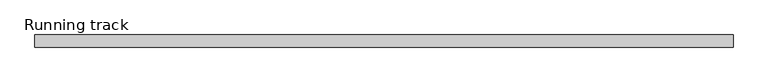
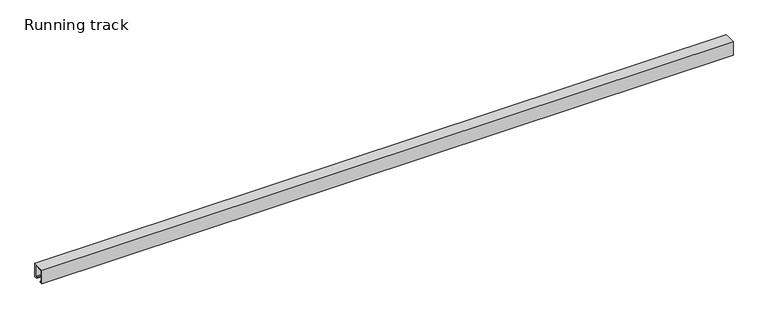
"""IFC4 building model written with IfcOpenShell, lengths in millimetres: proxy geometry, Running track."""

import ifcopenshell
import ifcopenshell.guid

model = None  # the IFC model being written
_history = None  # IfcOwnerHistory: only IFC2X3 demands one
_inside = {}  # id of a spatial element -> (the spatial element, [elements in it])
_under = {}  # id of a project, library or spatial element -> (it, [spatial elements below it])
_declared = {}  # id of a project -> (the project, [libraries it declares])
_typed = {}  # id of a type object -> (the type object, [elements of that type])
_made_of = {}  # id of a material, layer set ... -> (it, [elements and type objects made of it])


def new_model(schema):
    """Start an empty IFC model of exactly this schema.

    Asked for "IFC4X3", IfcOpenShell would pick the latest addendum, in which some entities
    have other attributes; the version numbers below select the first issue.
    IFC2X3 requires an IfcOwnerHistory on every rooted entity: one is made here for all.
    """
    global model, _history
    if schema == "IFC4X3":
        model = ifcopenshell.file(schema_version=(4, 3, 0, 0))
    else:
        model = ifcopenshell.file(schema=schema)
    _inside.clear()
    _under.clear()
    _declared.clear()
    _typed.clear()
    _made_of.clear()
    _history = None
    if model.schema == "IFC2X3":
        org = make("IfcOrganization", Name="unknown")
        user = make(
            "IfcPersonAndOrganization",
            ThePerson=make("IfcPerson", FamilyName="unknown"),
            TheOrganization=org,
        )
        app = make(
            "IfcApplication",
            ApplicationDeveloper=org,
            Version="unknown",
            ApplicationFullName="unknown",
            ApplicationIdentifier="unknown",
        )
        _history = make(
            "IfcOwnerHistory",
            OwningUser=user,
            OwningApplication=app,
            ChangeAction="ADDED",
            CreationDate=0,
        )
    return model


def make(cls, **values):
    """One entity of the class cls with the attributes given. An attribute that is None is left unset."""
    return model.create_entity(
        cls, **{name: value for name, value in values.items() if value is not None}
    )


def rooted(cls, **values):
    """An entity with a GlobalId (a new one), such as an element, a storey or a relation."""
    return make(cls, GlobalId=ifcopenshell.guid.new(), OwnerHistory=_history, **values)


def si_unit(unit_type, name, prefix=None):
    """IfcSIUnit, for example si_unit("LENGTHUNIT", "METRE", prefix="MILLI")."""
    return make("IfcSIUnit", UnitType=unit_type, Prefix=prefix, Name=name)


def assignment(units):
    """IfcUnitAssignment: the units of a project."""
    return None if units is None else make("IfcUnitAssignment", Units=units)


def point(xyz):
    """IfcCartesianPoint."""
    return None if xyz is None else make("IfcCartesianPoint", Coordinates=xyz)


def direction(xyz):
    """IfcDirection."""
    return None if xyz is None else make("IfcDirection", DirectionRatios=xyz)


def frame(location, z_axis=None, x_axis=None):
    """IfcAxis2Placement3D, a coordinate frame: its origin and axes. An axis left out is left unset."""
    return make(
        "IfcAxis2Placement3D",
        Location=point(location),
        Axis=direction(z_axis),
        RefDirection=direction(x_axis),
    )


def frame_2d(location, x_axis=None):
    """IfcAxis2Placement2D, a coordinate frame in the plane: its origin and x axis."""
    return make(
        "IfcAxis2Placement2D", Location=point(location), RefDirection=direction(x_axis)
    )


def origin():
    """The frame at (0, 0, 0) with its axes left unset."""
    return frame((0.0, 0.0, 0.0))


def origin_with_axes():
    """The frame at (0, 0, 0) with the z axis (0, 0, 1) and the x axis (1, 0, 0) written out."""
    return frame((0.0, 0.0, 0.0), z_axis=(0.0, 0.0, 1.0), x_axis=(1.0, 0.0, 0.0))


def place(relative_to, where):
    """IfcLocalPlacement: puts the frame where relative to a parent placement (None: the world)."""
    return make(
        "IfcLocalPlacement", PlacementRelTo=relative_to, RelativePlacement=where
    )


def context(
    kind, dimensions, precision=None, world=None, true_north=None, identifier=None
):
    """IfcGeometricRepresentationContext, for example the 3D "Model" context."""
    return make(
        "IfcGeometricRepresentationContext",
        ContextIdentifier=identifier,
        ContextType=kind,
        CoordinateSpaceDimension=dimensions,
        Precision=precision,
        WorldCoordinateSystem=world,
        TrueNorth=true_north,
    )


def project(units=None, contexts=None):
    """IfcProject with its units and contexts."""
    return rooted(
        "IfcProject",
        Name="project",
        RepresentationContexts=contexts,
        UnitsInContext=assignment(units),
    )


def spatial(cls, under=None, at=None, **own):
    """A site, building, storey or space (cls), placed at a placement, below another one or the project."""
    s = rooted(cls, ObjectPlacement=at, **own)
    if under is not None:
        _under.setdefault(under.id(), (under, []))[1].append(s)
    return s


def polyline(points):
    """IfcPolyline through the points."""
    return make("IfcPolyline", Points=[point(p) for p in points])


def circle_curve(where, radius):
    """IfcCircle in the frame where."""
    return make("IfcCircle", Position=where, Radius=radius)


def trimmed(basis, trim1, trim2, sense, master):
    """IfcTrimmedCurve: the piece of a basis curve between two trims."""
    return make(
        "IfcTrimmedCurve",
        BasisCurve=basis,
        Trim1=trim1,
        Trim2=trim2,
        SenseAgreement=sense,
        MasterRepresentation=master,
    )


def segment(curve, same_sense, transition):
    """IfcCompositeCurveSegment."""
    return make(
        "IfcCompositeCurveSegment",
        Transition=transition,
        SameSense=same_sense,
        ParentCurve=curve,
    )


def composite_curve(segments, self_intersect=None):
    """IfcCompositeCurve: segments joined end to end."""
    return make("IfcCompositeCurve", Segments=segments, SelfIntersect=self_intersect)


def outline(outer, holes=None, kind="AREA"):
    """IfcArbitraryClosedProfileDef: a profile drawn as a closed curve; with holes, ...WithVoids."""
    if holes is None:
        return make("IfcArbitraryClosedProfileDef", ProfileType=kind, OuterCurve=outer)
    return make(
        "IfcArbitraryProfileDefWithVoids",
        ProfileType=kind,
        OuterCurve=outer,
        InnerCurves=holes,
    )


def extrude(swept, where, along, depth):
    """IfcExtrudedAreaSolid: the profile swept, set in the frame where, extruded along a direction by depth."""
    return make(
        "IfcExtrudedAreaSolid",
        SweptArea=swept,
        Position=where,
        ExtrudedDirection=direction(along),
        Depth=depth,
    )


def faces_of(points, faces, orient=None, outer=None):
    """IfcFace entities. A face is a list of loops; a loop is a list of indices into points, from 0.

    orient and outer hold one flag for each loop. By default every Orientation is true, the
    first loop of a face is its IfcFaceOuterBound and the others are IfcFaceBound.
    """
    made = []
    for i, loops in enumerate(faces):
        bounds = []
        for j, loop in enumerate(loops):
            is_outer = j == 0 if outer is None else outer[i][j]
            bounds.append(
                make(
                    "IfcFaceOuterBound" if is_outer else "IfcFaceBound",
                    Bound=make("IfcPolyLoop", Polygon=[points[k] for k in loop]),
                    Orientation=True if orient is None else orient[i][j],
                )
            )
        made.append(make("IfcFace", Bounds=bounds))
    return made


def faceted_brep(points, faces, orient=None, outer=None, voids=None):
    """IfcFacetedBrep: a solid bounded by flat faces; with voids (closed shells), ...WithVoids."""
    shared = [point(p) for p in points]
    hull = make("IfcClosedShell", CfsFaces=faces_of(shared, faces, orient, outer))
    if voids is None:
        return make("IfcFacetedBrep", Outer=hull)
    return make(
        "IfcFacetedBrepWithVoids",
        Outer=hull,
        Voids=[
            make(cls, CfsFaces=faces_of(shared, fs, o, b)) for cls, fs, o, b in voids
        ],
    )


def shape(context_of_items, identifier, shape_type, items):
    """IfcShapeRepresentation: the items that make up one representation, for example the "Body"."""
    return make(
        "IfcShapeRepresentation",
        ContextOfItems=context_of_items,
        RepresentationIdentifier=identifier,
        RepresentationType=shape_type,
        Items=items,
    )


def source(mapping_origin, context_of_items, identifier, shape_type, items):
    """IfcRepresentationMap: a shape defined once, which mapped items show again and again."""
    return make(
        "IfcRepresentationMap",
        MappingOrigin=mapping_origin,
        MappedRepresentation=shape(context_of_items, identifier, shape_type, items),
    )


def transform(
    local_origin,
    x_axis=None,
    y_axis=None,
    z_axis=None,
    scale=None,
    scale2=None,
    scale3=None,
    uniform=True,
):
    """IfcCartesianTransformationOperator3D, or its non-uniform kind. x_axis, y_axis, z_axis: its Axis1, 2, 3."""
    if uniform:
        return make(
            "IfcCartesianTransformationOperator3D",
            Axis1=direction(x_axis),
            Axis2=direction(y_axis),
            LocalOrigin=point(local_origin),
            Scale=scale,
            Axis3=direction(z_axis),
        )
    return make(
        "IfcCartesianTransformationOperator3DnonUniform",
        Axis1=direction(x_axis),
        Axis2=direction(y_axis),
        LocalOrigin=point(local_origin),
        Scale=scale,
        Axis3=direction(z_axis),
        Scale2=scale2,
        Scale3=scale3,
    )


def mapped(mapping_source, mapping_target):
    """IfcMappedItem: shows the shape of a source again, moved by a transform."""
    return make(
        "IfcMappedItem", MappingSource=mapping_source, MappingTarget=mapping_target
    )


def made_of(thing, what):
    """Note that an element or type object is made of a material, layer set ...; save() writes the relation."""
    if what is not None:
        _made_of.setdefault(what.id(), (what, []))[1].append(thing)
    return thing


def element(
    cls,
    number,
    at=None,
    inside=None,
    cuts=None,
    type_object=None,
    material=None,
    context=None,
    identifier="Body",
    shape_type=None,
    held_by="IfcProductDefinitionShape",
    body=None,
    shapes=None,
    **own,
):
    """One element of the class cls, such as IfcWall. Its Tag is "e" and its number.

    at: its placement. inside: the storey or other place that contains it. cuts: it is an
    opening in that element (IfcRelVoidsElement). A single representation is given by context,
    identifier, shape_type and body (its items); several are given by shapes. held_by: the class
    of the entity that holds the representations. save() writes the other relations.
    """
    e = rooted(cls, Tag="e%d" % number, ObjectPlacement=at, **own)
    if body is not None:
        shapes = [shape(context, identifier, shape_type, body)]
    if shapes is not None:
        e.Representation = make(held_by, Representations=shapes)
    if inside is not None:
        _inside.setdefault(inside.id(), (inside, []))[1].append(e)
    if cuts is not None:
        rooted(
            "IfcRelVoidsElement", RelatingBuildingElement=cuts, RelatedOpeningElement=e
        )
    if type_object is not None:
        _typed.setdefault(type_object.id(), (type_object, []))[1].append(e)
    return made_of(e, material)


def aggregate(whole, parts):
    """IfcRelAggregates: a whole, such as a stair, and the parts it consists of."""
    return rooted("IfcRelAggregates", RelatingObject=whole, RelatedObjects=parts)


def save(model, path):
    """Write the relations noted so far, then the file.

    IfcRelAggregates (storeys below a building ...), IfcRelContainedInSpatialStructure (elements
    in a storey), IfcRelDefinesByType, IfcRelAssociatesMaterial and IfcRelDeclares: one each for
    every whole, place, type object, material and project.
    """
    for whole, parts in _under.values():
        aggregate(whole, parts)
    for where, things in _inside.values():
        rooted(
            "IfcRelContainedInSpatialStructure",
            RelatedElements=things,
            RelatingStructure=where,
        )
    for kind, things in _typed.values():
        rooted("IfcRelDefinesByType", RelatedObjects=things, RelatingType=kind)
    for what, things in _made_of.values():
        rooted("IfcRelAssociatesMaterial", RelatedObjects=things, RelatingMaterial=what)
    for by, libraries in _declared.values():
        rooted("IfcRelDeclares", RelatingContext=by, RelatedDefinitions=libraries)
    model.write(path)


def running_track_0cad289d(model_context):
    return source(origin(), model_context, "Body", "SolidModel", [
        extrude(outline(polyline([(36.5, 1857.1109747), (36.5, 1833.4983788), (33.2695661, 1833.4983788), (33.2695661, 1835.332539), (24.3170527, 1910.6793739), (32.9021554, 1910.6793739), (36.5, 1857.1109747)])), frame((0.0, -12.5, 0.0), z_axis=(0.0, 1.0, 0.0), x_axis=(0.0, 0.0, 1.0)), (0.0, 0.0, 1.0), 25.031559),
        extrude(outline(composite_curve([segment(trimmed(circle_curve(frame_2d((0.0, 18.67839)), 6.3335878), [point((-6.3335878, 18.67839))], [point((6.3335878, 18.67839))], False, "CARTESIAN"), True, "CONTINUOUS"), segment(trimmed(circle_curve(frame_2d((0.0, 18.67839)), 6.3335878), [point((6.3335878, 18.67839))], [point((-6.3335878, 18.67839))], False, "CARTESIAN"), True, "CONTINUOUS")], self_intersect=False)), frame((1868.0, 0.0, 0.0), z_axis=(1.0, 0.0, 0.0), x_axis=(0.0, 1.0, 0.0)), (0.0, 0.0, 1.0), 4.0),
        faceted_brep([(1914.5, -14.5, 36.5), (1872.0, -14.5, 36.5), (1872.0, -14.5, 3.0), (1914.5, -14.5, 3.0), (1914.5, 14.5, 36.5), (1914.5, 14.5, 3.0), (1872.0, 14.5, 3.0), (1872.0, 14.5, 36.5), (1872.0, 12.531559, 36.5), (1911.9235205, 12.531559, 36.5), (1911.9235205, -12.5, 36.5), (1872.0, -12.5, 36.5), (1872.0, -12.5, 25.3706125), (1872.0, 12.531559, 25.3706125), (1911.9235205, -12.5, 25.3706125), (1911.9235205, 12.531559, 25.3706125)], [[[0, 1, 2, 3]], [[4, 5, 6, 7]], [[1, 0, 4, 7, 8, 9, 10, 11]], [[2, 1, 11, 12, 13, 8, 7, 6]], [[3, 2, 6, 5]], [[0, 3, 5, 4]], [[14, 12, 11, 10]], [[15, 9, 8, 13]], [[15, 14, 10, 9]], [[14, 15, 13, 12]]]),
        extrude(outline(polyline([(1914.5, -12.5), (1870.0024224, -12.5), (1870.0024224, 12.531559), (1914.5, 12.531559), (1914.5, -12.5)])), origin_with_axes(), (0.0, 0.0, 1.0), 3.0),
        extrude(outline(polyline([(17.0, 40.0), (17.0, 0.0), (9.0, 0.0), (9.0, 3.0), (14.0, 3.0), (14.0, 37.0), (-14.0, 37.0), (-14.0, 3.0), (-9.0, 3.0), (-9.0, 0.0), (-17.0, 0.0), (-17.0, 40.0), (17.0, 40.0)])), frame((0.0, 0.0, 0.0), z_axis=(1.0, 0.0, 0.0), x_axis=(0.0, 1.0, 0.0)), (0.0, 0.0, 1.0), 1950.0),
    ])


if __name__ == "__main__":
    model = new_model("IFC4")
    model_context = context("Model", 3, world=origin())
    ifc_project = project(units=[si_unit("LENGTHUNIT", "METRE", prefix="MILLI")], contexts=[model_context])
    site = spatial("IfcSite", under=ifc_project)
    building = spatial("IfcBuilding", under=site)
    placement = place(None, origin())
    running_track_shape = running_track_0cad289d(model_context)
    element("IfcBuildingElementProxy", 1, Name="Running track", ObjectType="Running track", at=placement, inside=building, context=model_context, shape_type="MappedRepresentation", body=[
        mapped(running_track_shape, transform((0.0, 0.0, 0.0), x_axis=(1.0, 0.0, 0.0), y_axis=(0.0, 1.0, 0.0), z_axis=(0.0, 0.0, 1.0))),
    ])
    save(model, "model.ifc")
